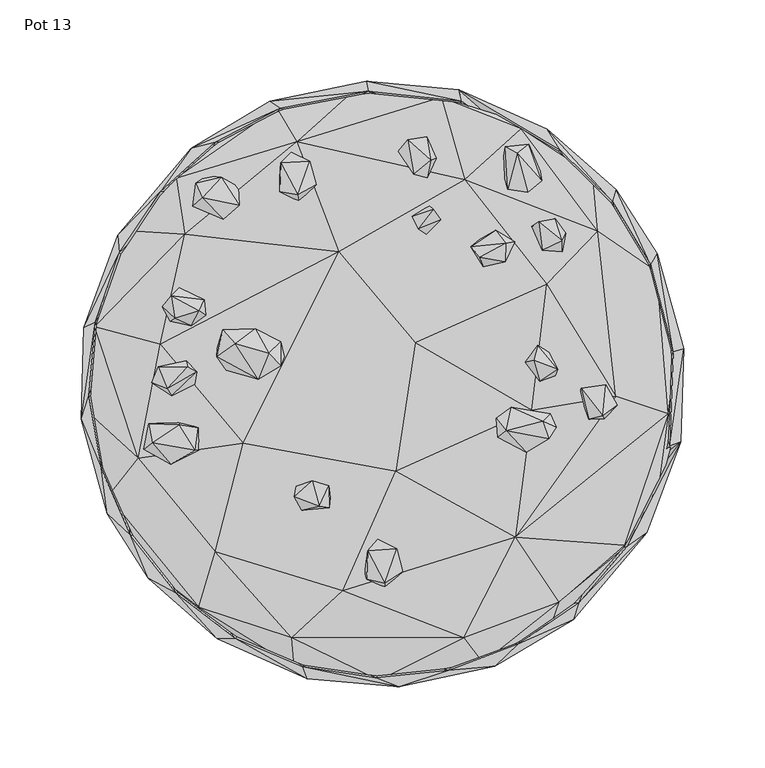
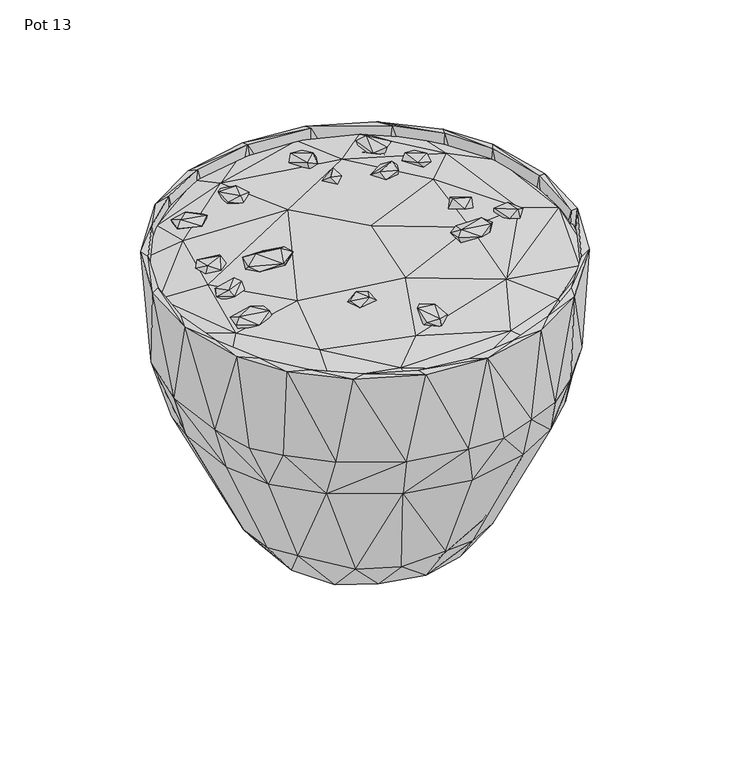
"""IFC4 building model written with IfcOpenShell, lengths in millimetres: furniture geometry, Pot 13."""

from ifc_helpers import new_model, si_unit, origin, place, context, project, spatial, triangles, source, transform, mapped, element, save


def pot_13_e8898190(model_context):
    return source(origin(), model_context, "Body", "Tessellation", [
        triangles([(-10.9216569, -116.5700558, 286.3160447), (1.5826821, -125.3369444, 285.3238632), (-9.5674393, -120.4596713, 290.5728161), (-2.714336, -99.5092059, 285.6736238), (1.9496083, -118.5742576, 282.7650259), (-8.8998076, -102.9095615, 294.3962746), (1.6316772, -122.9555945, 292.1563313), (12.573063, -115.8508955, 288.317703), (8.937776, -101.5502513, 291.6235877), (-2.6844144, -95.8271904, 292.5227334), (-44.2987677, -62.8737785, 289.1665611), (-53.0989755, -63.1696862, 292.3950522), (-43.1181212, -59.6359084, 296.9590178), (-33.0325359, -62.8530403, 296.1117404), (-49.6435178, -77.9656807, 294.0320708), (-32.1178433, -70.0375128, 290.7316908), (-147.2002538, -40.3271896, 287.849345), (-141.9984728, -36.17078, 291.8069886), (-144.0430246, -24.5595883, 285.1305611), (-145.019682, -40.6507255, 282.1654623), (-130.6619646, -49.6620259, 287.3215974), (-141.5619806, -31.9229061, 279.1629747), (-118.4948112, -37.438333, 281.0926171), (-113.3160575, -40.9691653, 286.0771784), (-115.508084, -41.0377976, 291.8656514), (-125.7433876, -22.9185525, 281.7194139), (-113.6409014, -27.0465618, 287.7078565), (-125.2976663, -25.0627394, 290.2286692), (73.4062207, -33.2288743, 289.9835352), (88.6644736, -42.115448, 296.5447263), (71.2195627, -32.933414, 295.691944), (101.0768972, -33.9092606, 291.4119909), (83.7861921, -23.3762258, 287.067525), (80.0219778, -16.9065001, 289.1170002), (70.3922513, -21.2561789, 294.3137215), (103.6144513, -18.313199, 293.4131042), (79.467415, -14.4429502, 294.1792638), (127.3495578, -21.896481, 288.9974944), (122.7416995, -2.536416, 289.5924435), (121.743441, -5.6624116, 283.5526777), (136.870679, -21.3909159, 285.7501817), (136.1769441, -19.5280618, 294.0283101), (134.7967958, -2.6714803, 282.4521635), (144.9956282, -12.9851108, 287.7494419), (137.8283513, -0.3903806, 288.7825911), (-142.3278768, 0.6006062, 290.2224741), (-135.7244554, 0.9567142, 284.7582727), (-129.9117197, -7.263392, 290.8336832), (-137.9111406, 9.7432734, 285.7110126), (-132.7033643, -3.0344427, 295.4481907), (-138.3731672, 10.6787984, 291.3671353), (-121.1269543, 14.2130258, 287.7357073), (-115.8917542, -0.1568198, 288.7424772), (-114.615742, 7.5055063, 292.2528916), (-120.0295649, 10.5347937, 295.6224352), (102.6110605, 19.5725857, 289.8276399), (95.9580509, 23.9420524, 293.9003019), (108.1669895, 9.1502965, 298.6995366), (106.8076521, 4.9596429, 291.0661363), (88.2224402, 13.4162005, 291.297354), (-83.4468051, 24.5864103, 289.464181), (-72.6776723, 7.0869925, 294.0359768), (-102.0030398, 22.1371344, 290.9544788), (-60.561179, 16.7150499, 295.166322), (-98.4283125, 33.5127709, 295.0921442), (-78.5477128, 34.1816845, 294.5623981), (-135.7165252, 47.5539288, 288.2561697), (-130.9581402, 38.7032017, 286.7407462), (-128.1579114, 40.6888136, 292.6844968), (-128.8946306, 51.5480027, 282.1083618), (-130.406139, 54.3957804, 291.3054749), (-117.8051821, 35.9310213, 287.3029757), (-109.0794248, 42.3656099, 287.5045622), (-112.8626422, 45.2978755, 294.3811047), (-113.5737907, 53.5164781, 284.804945), (-109.9325976, 52.0690965, 290.2153706), (-125.4392819, 59.2533055, 286.5133073), (27.0423878, 92.471554, 289.690112), (18.5087914, 103.5948213, 289.4911779), (29.009462, 110.1265265, 285.8562435), (35.9562628, 101.2608522, 290.0875259), (22.2899321, 95.7025887, 296.381237), (59.9507693, 88.9099709, 289.3196404), (62.1533374, 72.3491631, 293.9896315), (54.4635043, 84.7170492, 294.767164), (76.6039452, 77.7180487, 291.652147), (69.9224489, 94.8131081, 293.6904129), (81.5811759, 87.887477, 293.1702411), (104.1243675, 82.2743022, 286.1201991), (113.2382189, 92.8773886, 286.899621), (110.9570264, 81.4840161, 289.8548003), (98.8396428, 82.6085478, 292.3670198), (92.125, 97.443607, 287.6819315), (99.0014698, 99.7965521, 283.3507097), (110.9557183, 88.2784234, 294.3079442), (106.7833349, 101.8549384, 290.5432031), (-98.3230501, 101.5245171, 285.5431994), (-116.950456, 109.799984, 284.2341042), (-114.2365319, 117.2432433, 277.5700669), (-90.9156806, 109.424044, 279.9037907), (-88.2235212, 110.2700498, 287.5190962), (-111.0768955, 114.8239687, 288.3560909), (31.4289342, 107.7159633, 295.8014032), (96.4642155, 100.1697215, 292.9942526), (-115.0271268, 123.975445, 284.0682531), (-108.3571306, 128.4806388, 279.3518259), (-99.5337956, 127.6251496, 284.0076645), (-88.7843336, 121.6377879, 283.0818307), (-63.8923028, 121.2953488, 282.1077441), (-50.7033459, 118.6846343, 280.8758971), (-51.5123626, 112.7655551, 284.965691), (-55.3900011, 137.7940965, 278.3188584), (-63.1694182, 118.6097569, 287.3369126), (-62.7154715, 136.5677723, 286.7299547), (-52.3148754, 116.7715334, 290.9373651), (-40.850518, 122.8785371, 286.9129741), (-44.6485874, 137.4896728, 286.056195), (77.2954182, 120.2596744, 286.8462267), (83.3399257, 142.4475188, 289.0129731), (75.8432767, 146.4344121, 284.0073738), (87.6190068, 119.2202302, 282.100677), (89.7065974, 118.4052273, 289.7887251), (73.582945, 133.4584781, 280.9752551), (97.4970467, 131.2031289, 283.283926), (82.1912858, 144.7010059, 278.5956038), (98.3665612, 125.5187284, 288.3763295), (-56.1931725, 143.0634696, 283.9810491), (21.214187, 129.060191, 284.9006332), (9.8528268, 143.6975879, 286.6390991), (17.0561673, 149.4617618, 281.6533751), (27.769208, 127.1978773, 289.3846619), (19.3597672, 129.527032, 292.061715), (33.3870064, 139.2387939, 286.9172071), (29.7742477, 138.0667815, 293.2591165), (90.4141033, 147.8167133, 283.7207634), (15.6948564, 150.8432636, 289.9490351), (27.5288225, 152.5558771, 287.9408365), (-54.449915, -69.7460471, 297.3835559), (-38.9934184, -75.5273712, 299.5533907), (-32.9068895, -76.2974595, 294.8954992), (102.775876, -33.6694429, 299.7226755), (76.4216162, -28.7765865, 299.6494786), (98.8867875, -23.1181088, 300.5647571), (107.381645, -26.6445582, 295.0933069), (-76.4548173, 2.912134, 299.1780684), (-102.2632165, 16.7257482, 296.9759681), (-96.4005566, 8.4342065, 295.0342807), (-70.0855249, 18.9577341, 303.3792655), (-90.6558673, 24.7459414, 301.2405334), (-62.6581304, 11.3240783, 301.3651988), (97.2447365, 1.5413464, 294.986809), (93.5219532, 14.7331362, 298.7832343), (-62.7174972, 26.0810843, 297.5492798), (59.9915371, 78.3498597, 299.7397711), (75.9689231, 75.3130038, 297.5017354), (76.1600133, 86.8963311, 299.3137615)], [[1, 2, 3], [1, 4, 5], [1, 5, 2], [1, 6, 4], [1, 3, 6], [2, 7, 3], [2, 8, 7], [2, 5, 8], [5, 4, 9], [5, 9, 8], [8, 9, 7], [4, 10, 9], [4, 6, 10], [11, 12, 13], [11, 13, 14], [11, 15, 12], [11, 16, 15], [11, 14, 16], [17, 18, 19], [17, 19, 20], [17, 20, 21], [17, 21, 18], [20, 19, 22], [20, 22, 23], [20, 23, 21], [21, 23, 24], [21, 25, 18], [21, 24, 25], [24, 26, 27], [24, 27, 25], [24, 23, 26], [19, 28, 26], [19, 18, 28], [19, 26, 22], [22, 26, 23], [28, 27, 26], [28, 25, 27], [28, 18, 25], [29, 30, 31], [29, 32, 30], [29, 33, 32], [29, 34, 33], [29, 35, 34], [29, 31, 35], [33, 34, 36], [33, 36, 32], [34, 35, 37], [34, 37, 36], [38, 39, 40], [38, 41, 42], [38, 40, 41], [38, 42, 39], [41, 40, 43], [41, 43, 44], [41, 44, 42], [44, 45, 42], [44, 43, 45], [46, 47, 48], [46, 49, 47], [46, 48, 50], [46, 50, 51], [46, 51, 49], [47, 49, 52], [47, 52, 53], [47, 53, 48], [53, 54, 48], [53, 52, 54], [40, 39, 43], [39, 45, 43], [39, 42, 45], [49, 51, 52], [52, 51, 55], [52, 55, 54], [56, 57, 58], [56, 58, 59], [56, 59, 60], [56, 60, 57], [61, 62, 63], [61, 64, 62], [61, 63, 65], [61, 65, 66], [61, 66, 64], [67, 68, 69], [67, 70, 68], [67, 69, 71], [67, 71, 70], [68, 72, 69], [68, 70, 72], [72, 73, 74], [72, 70, 75], [72, 75, 73], [72, 74, 69], [73, 76, 74], [73, 75, 76], [70, 77, 75], [70, 71, 77], [77, 76, 75], [77, 71, 76], [76, 71, 74], [78, 79, 80], [78, 80, 81], [78, 81, 82], [78, 82, 79], [83, 84, 85], [83, 86, 84], [83, 85, 87], [83, 88, 86], [83, 87, 88], [89, 90, 91], [89, 92, 93], [89, 93, 94], [89, 91, 92], [89, 94, 90], [91, 90, 95], [91, 95, 92], [90, 94, 96], [90, 96, 95], [97, 98, 99], [97, 99, 100], [97, 100, 101], [97, 102, 98], [97, 101, 102], [79, 103, 80], [79, 82, 103], [81, 103, 82], [81, 80, 103], [93, 92, 104], [93, 104, 96], [93, 96, 94], [98, 102, 105], [98, 105, 99], [99, 105, 106], [99, 106, 100], [102, 107, 105], [102, 101, 107], [100, 108, 101], [100, 106, 108], [108, 107, 101], [108, 106, 107], [109, 110, 111], [109, 112, 110], [109, 111, 113], [109, 114, 112], [109, 113, 114], [113, 111, 115], [113, 115, 114], [111, 110, 116], [111, 116, 115], [110, 112, 117], [110, 117, 116], [116, 117, 115], [118, 119, 120], [118, 121, 122], [118, 123, 121], [118, 120, 123], [118, 122, 119], [121, 124, 122], [121, 123, 125], [121, 125, 124], [122, 124, 126], [122, 126, 119], [105, 107, 106], [114, 117, 127], [114, 115, 117], [114, 127, 112], [112, 127, 117], [128, 129, 130], [128, 131, 132], [128, 133, 131], [128, 132, 129], [128, 130, 133], [131, 134, 132], [131, 133, 134], [123, 120, 125], [124, 135, 126], [124, 125, 135], [126, 135, 119], [129, 132, 136], [129, 136, 130], [136, 132, 134], [136, 134, 137], [136, 137, 130], [130, 137, 133], [137, 134, 133], [120, 135, 125], [120, 119, 135], [3, 7, 6], [7, 9, 6], [6, 9, 10], [138, 12, 15], [138, 15, 139], [138, 139, 13], [138, 13, 12], [15, 140, 139], [15, 16, 140], [139, 140, 14], [139, 14, 13], [140, 16, 14], [30, 32, 141], [30, 142, 31], [30, 141, 142], [31, 142, 35], [142, 141, 143], [142, 143, 37], [142, 37, 35], [143, 141, 144], [143, 36, 37], [143, 144, 36], [32, 36, 144], [32, 144, 141], [50, 48, 54], [50, 54, 55], [50, 55, 51], [145, 146, 147], [145, 148, 149], [145, 150, 148], [145, 149, 146], [145, 147, 62], [145, 62, 150], [151, 152, 60], [151, 59, 58], [151, 58, 152], [151, 60, 59], [146, 149, 65], [146, 63, 147], [146, 65, 63], [147, 63, 62], [62, 64, 150], [148, 150, 153], [148, 66, 149], [148, 153, 66], [150, 64, 153], [64, 66, 153], [60, 152, 57], [152, 58, 57], [65, 149, 66], [69, 74, 71], [154, 155, 156], [154, 84, 155], [154, 156, 85], [154, 85, 84], [84, 86, 155], [155, 88, 156], [155, 86, 88], [85, 156, 87], [156, 88, 87], [92, 95, 104], [95, 96, 104]]),
        triangles([(-55.8941355, -156.7497527, 282.8167125), (-54.464994, -174.5175453, 278.5051842), (-2.2988319, -182.7500552, 278.4962276), (50.1585027, -156.6073558, 283.2875776), (-24.3492132, -127.7606519, 286.7870007), (-113.272728, -137.8657218, 280.221522), (-103.0160776, -103.3991574, 285.55975), (-103.0108907, -150.9501067, 275.8465711), (-38.026869, -175.3893126, 273.9616389), (25.5519741, -173.5506894, 273.2072155), (-56.4950709, -141.8945457, 269.676508), (61.913313, -171.9777658, 278.6587722), (89.5973472, -154.4001141, 273.8813385), (26.8572565, -123.4167219, 267.3951066), (108.9597918, -134.6433168, 281.549566), (81.9292651, -94.5218831, 286.9509078), (102.7473803, -152.3225338, 277.181773), (115.346911, -110.2001957, 270.431749), (149.649859, -101.0988345, 275.0957993), (-142.9028235, -115.3807298, 276.4836506), (-150.5875925, -45.6993, 284.047088), (-169.2823452, -69.3165357, 278.2797438), (-114.5792617, -102.0382939, 269.8650684), (-59.3942989, -83.8227542, 265.9183798), (8.2025528, -53.9452447, 289.9653314), (-85.705697, -36.4522626, 288.7515065), (8.3525777, -49.7275288, 264.2823787), (93.4990077, -72.4898567, 266.7365893), (149.1836266, -99.4319032, 280.4436015), (-166.3890444, -65.6242647, 273.8204956), (-174.4135001, -17.7614988, 273.0928329), (-93.6158883, -18.6594726, 265.7466243), (176.3759166, -18.2894167, 280.5974257), (92.317639, -16.2029865, 288.8859459), (143.9990411, -7.6187551, 285.5495217), (149.5190894, -32.3980747, 269.6968919), (169.3637901, -71.2032892, 277.181773), (179.8678546, -31.4179655, 275.5126343), (-182.7584486, -16.5293815, 278.0008545), (73.0389965, 2.4077297, 264.8926612), (-137.1594695, 24.3743661, 286.0801579), (-177.4334284, 35.2950091, 279.2783747), (20.3932524, 25.3482756, 290.3091331), (-26.8560642, 81.5715653, 289.081846), (-34.5192547, 54.80449, 264.6984688), (137.108328, 39.4507942, 268.5416027), (181.043328, 16.2880127, 275.329506), (-168.1428254, 56.4011495, 273.7902467), (-134.0222973, 43.8215712, 268.4104152), (101.5535578, 61.5521523, 287.6672158), (132.9655667, 94.2386791, 283.2951898), (169.3229678, 69.307461, 278.2276212), (-121.8494211, 92.4267621, 284.555905), (50.9662614, 126.0748173, 286.3184791), (38.955035, 85.0435009, 265.6281359), (166.1495059, 65.5418025, 273.7621416), (-156.6299199, 94.6702843, 277.8997343), (-123.7456807, 127.9850477, 273.62465), (-101.3545965, 105.0297355, 268.8038142), (-23.9864583, 154.5659288, 270.2320882), (105.0274374, 101.3526344, 268.8038142), (-52.8263449, 149.4831631, 283.9418982), (63.8506402, 142.9357339, 270.1301322), (128.9221089, 124.5863725, 273.9198173), (129.9377719, 128.4363101, 278.5789443), (-127.1303851, 126.8184946, 280.3775445), (-100.8524923, 153.5699504, 277.181773), (-65.3584606, 165.624538, 273.6314265), (85.6305926, 157.520545, 280.6563611), (-65.1423356, 170.2862447, 279.1480047), (36.3878611, 176.9482472, 279.6875612), (-16.4905791, 182.1580855, 277.686902), (38.0818847, 175.6223471, 274.0179036), (87.7161666, 161.008141, 276.2520696)], [[1, 2, 3], [1, 3, 4], [1, 4, 5], [1, 6, 2], [1, 5, 7], [1, 7, 6], [2, 8, 9], [2, 6, 8], [2, 9, 3], [9, 10, 3], [9, 8, 11], [9, 11, 10], [3, 10, 12], [3, 12, 4], [10, 13, 12], [10, 11, 14], [10, 14, 13], [4, 12, 15], [4, 15, 16], [4, 16, 5], [12, 13, 17], [12, 17, 15], [13, 14, 18], [13, 18, 19], [13, 19, 17], [6, 20, 8], [6, 7, 21], [6, 22, 20], [6, 21, 22], [8, 20, 23], [8, 23, 11], [11, 23, 24], [11, 24, 14], [5, 16, 25], [5, 26, 7], [5, 25, 26], [14, 24, 27], [14, 28, 18], [14, 27, 28], [17, 19, 15], [15, 29, 16], [15, 19, 29], [20, 22, 30], [20, 30, 23], [23, 30, 31], [23, 31, 32], [23, 32, 24], [7, 26, 21], [16, 29, 33], [16, 34, 25], [16, 35, 34], [16, 33, 35], [18, 28, 36], [18, 36, 19], [29, 37, 33], [29, 19, 37], [19, 36, 38], [19, 38, 37], [22, 21, 39], [22, 39, 30], [30, 39, 31], [24, 32, 27], [28, 27, 40], [28, 40, 36], [37, 38, 33], [21, 26, 41], [21, 41, 42], [21, 42, 39], [26, 25, 43], [26, 43, 44], [26, 44, 41], [25, 34, 43], [27, 32, 45], [27, 45, 40], [36, 40, 46], [36, 47, 38], [36, 46, 47], [38, 47, 33], [39, 42, 31], [31, 42, 48], [31, 48, 49], [31, 49, 32], [32, 49, 45], [34, 35, 50], [34, 50, 43], [35, 33, 51], [35, 51, 50], [33, 47, 52], [33, 52, 51], [41, 44, 53], [41, 53, 42], [43, 50, 54], [43, 54, 44], [40, 45, 55], [40, 55, 46], [47, 56, 52], [47, 46, 56], [42, 57, 48], [42, 53, 57], [48, 57, 58], [48, 58, 49], [49, 59, 45], [49, 58, 59], [45, 59, 60], [45, 60, 55], [46, 55, 61], [46, 61, 56], [44, 62, 53], [44, 54, 62], [55, 63, 61], [55, 60, 63], [50, 51, 54], [56, 61, 64], [56, 64, 52], [52, 64, 65], [52, 65, 51], [57, 66, 67], [57, 67, 58], [57, 53, 66], [53, 62, 66], [59, 58, 68], [59, 68, 60], [61, 63, 64], [51, 65, 69], [51, 69, 54], [66, 62, 70], [66, 70, 67], [58, 67, 68], [62, 54, 71], [62, 72, 70], [62, 71, 72], [54, 69, 71], [63, 60, 73], [63, 73, 74], [63, 74, 64], [64, 74, 65], [65, 74, 69], [67, 70, 68], [68, 70, 72], [68, 72, 60], [60, 72, 73], [72, 71, 73], [71, 69, 74], [71, 74, 73]]),
        triangles([(-110.6496414, -143.8045763, 198.2307418), (-144.382448, -119.9180165, 287.8247462), (-142.7260084, -111.733169, 197.0755979), (-83.0310601, -147.7779438, 183.3407531), (-117.1730714, -122.4876089, 183.3427697), (-90.899348, -156.8287086, 289.061662), (-49.0443129, -174.5069355, 289.0613713), (60.9394898, -158.1718316, 183.3428606), (41.0941259, -176.5466366, 289.0612259), (83.7085806, -160.7797756, 289.0612441), (98.3591671, -138.0479963, 183.3426425), (94.6544967, -154.3526606, 193.7577045), (120.4727337, -135.4259543, 197.0757796), (117.966237, -145.3908984, 287.8250732), (69.4412011, -174.3690987, 287.8263631), (121.0620418, -134.9113328, 289.0612259), (133.8440741, -103.3306387, 183.3415707), (150.4671601, -101.3978442, 198.2295972), (-169.6679322, -80.252914, 287.8265993), (-159.9935954, -84.777983, 193.7558151), (-143.9531773, -89.5006325, 183.3426789), (-127.0461061, -129.2960051, 289.061662), (150.8081549, -100.5672172, 289.0613713), (184.0764822, -35.5446645, 287.8502352), (160.7168979, -53.8660298, 183.3418977), (170.8124844, -60.6359246, 197.077996), (163.2129483, -91.735725, 287.824401), (-173.8360462, -51.3455578, 197.0788136), (-161.688659, -50.8898807, 183.3433511), (-155.2083497, -93.6414863, 289.061662), (-185.9669373, -21.7182646, 287.8245645), (-180.4949058, 5.9235693, 196.9398322), (-169.2647046, -9.0802608, 183.3428061), (-173.6199257, -52.100985, 289.061662), (177.2395449, -37.9883948, 289.0614258), (169.0638629, -12.2054221, 183.3438053), (179.265257, -25.4536562, 193.7606476), (181.139761, 6.5008103, 197.0806485), (-184.4332736, 34.8071164, 287.8244737), (-170.817099, 60.6358928, 197.0785774), (-166.2056072, 33.2986125, 183.34475), (-181.1223384, -7.2861315, 289.0616075), (179.6112569, 19.9972691, 289.061662), (166.7873849, 30.2228327, 183.3417342), (173.8312863, 51.3459438, 197.0785592), (185.9625044, 21.7178173, 287.8245645), (-152.7026523, 73.5852704, 183.342588), (-177.2441594, 37.9875909, 289.0614258), (165.717065, 73.4492095, 289.0616983), (154.0314593, 70.7522629, 183.3434056), (-163.217363, 91.7359158, 287.824401), (-144.413796, 108.692766, 196.9038606), (142.2440974, 112.3549607, 289.0617528), (131.5966277, 106.8362023, 183.3426425), (155.5994232, 92.965174, 197.0731271), (169.6635538, 80.2528685, 287.8265993), (-119.8421127, 119.2916012, 183.3416615), (-162.2287605, 80.8707905, 289.0614803), (117.2651079, 137.3954834, 195.9139319), (144.3779424, 119.917971, 287.8248007), (-117.9702247, 145.3913707, 287.8251459), (-102.5516982, 149.4591366, 197.0743262), (-137.0196343, 118.6753052, 289.0612441), (-103.2034117, 149.020646, 289.0612441), (-80.2867418, 149.2870178, 183.3420612), (109.8355014, 144.1986747, 289.061662), (94.7204811, 140.0702566, 183.3410256), (-69.4457884, 174.3690987, 287.8263631), (-74.5671373, 164.9992128, 193.7565963), (-40.6388621, 164.5627205, 183.3420067), (-62.9019745, 170.0037765, 289.0612259), (49.0400799, 174.5068083, 289.0613713), (43.6663617, 163.7842797, 183.342479), (47.0308048, 181.4836354, 287.8502352), (75.3503426, 163.6565622, 191.7264876), (101.8001452, 157.133541, 287.8245645), (-40.3314817, 176.7147223, 197.0789952), (1.5633106, 169.4987746, 183.3431512), (-8.6823104, 180.5146357, 289.0613349), (-10.0001095, 186.9614805, 287.8243647), (17.2427293, 179.7647723, 196.9412493), (-46.3227039, -181.8811584, 287.8243102), (9.99552, -186.9614987, 287.8242738), (-4.1031837, -181.2202067, 289.0613349), (-101.8043783, -157.1336137, 287.8245645), (-51.2150516, -76.6597376, 23.4923592), (-12.8974913, -79.8205457, 14.5094194), (-58.9793941, -34.1342991, 10.9402911), (-81.8121393, -42.5040144, 23.4923569), (-7.2950126, -101.0728186, 33.4042133), (-60.0281946, -99.4433759, 59.0025713), (-24.4625216, -116.6206887, 63.4428708), (-40.2050632, -92.3392765, 18.8041892), (-30.4197661, -113.9272757, 45.7465582), (-65.3145907, -97.1739015, 44.8029975), (-66.0017126, -64.3699172, 9.8291716), (3.8918852, -95.3992914, 13.6630423), (-18.7468526, -72.8034686, 1.5581479), (42.7390337, -84.3833395, 12.3438834), (-71.3547471, -15.6725944, 0.4078503), (55.8463323, -45.7122034, 0.3881552), (21.4043848, -86.6595541, 20.1390846), (33.2536706, -59.1313244, 10.6879752), (7.8943969, -121.0920545, 52.4215277), (40.3192641, -110.7689746, 45.0713768), (54.419816, -101.7573517, 55.9143605), (58.5381965, -70.8855079, 23.2321757), (23.4074602, -116.1161046, 62.161649), (75.60724, -57.3483981, 13.0229708), (66.6010401, -97.2603242, 45.0712723), (-102.3711587, -65.4995131, 52.7240347), (-89.1433324, -32.3174292, 12.9958921), (75.4115579, -35.942108, 16.3799334), (-0.9832978, -16.3945253, 13.9920318), (63.889446, 17.4618361, 10.7219439), (8.7521076, 15.8219937, 5.4539861), (93.6821088, -14.6244173, 12.9963293), (72.3380446, 16.800612, 0.4604865), (86.7250571, -74.4268297, 55.4998554), (114.0371527, -28.4722742, 45.2351431), (90.1307449, -76.0326365, 45.7485702), (-93.6866961, 14.6245956, 12.9964349), (-113.0838951, -33.2884796, 45.0712678), (-117.539646, -0.7822812, 45.2350251), (-92.1693468, 2.1671056, 23.4924137), (-96.0752403, -68.4558733, 61.161542), (-110.0800632, -42.409003, 61.1569865), (-44.4951038, 55.8700545, 0.4183233), (25.9834522, 69.7053065, 0.4618967), (-60.1001379, 37.3142354, 11.0109944), (113.6750018, -31.5986277, 61.6828901), (90.9433406, 6.5079035, 22.0676074), (88.8438776, 24.6119198, 9.8289025), (117.8054819, 4.1190385, 45.0716493), (-117.1668127, -13.6995612, 61.1534575), (-117.3776374, 20.2687982, 63.5490098), (-68.9295544, 55.4303239, 19.3585295), (-97.1058006, 37.9594858, 37.8244332), (76.5584084, 49.5174217, 22.0678777), (112.7900449, 20.1666651, 56.0754108), (-106.2121943, 51.2291041, 45.7490516), (-76.4285289, 57.2840716, 13.6443763), (-24.8425016, 72.3156032, 13.1500513), (41.9510004, 72.1503199, 16.5778251), (71.9773153, 61.456891, 12.7401574), (112.4891004, 35.361409, 45.7471577), (-61.7344994, 100.2957676, 45.4860453), (-32.1549187, 87.2833442, 11.5600173), (-88.701072, 77.6420995, 45.0729528), (-42.8568726, 86.6590727, 28.0378189), (-93.4880981, 66.5798341, 55.319266), (35.6510874, 85.308492, 10.7130986), (85.1447029, 81.0299105, 45.2364467), (97.8471616, 61.3537133, 56.0832773), (76.0323413, 90.1911427, 61.1569865), (3.3479334, 90.3763331, 21.3237302), (-4.1900873, 115.5833156, 56.906978), (-54.1126718, 100.8922882, 55.914574), (3.2829045, 117.8337596, 45.0712723), (27.8038375, 109.3800514, 37.6239412), (-26.1243593, 114.949379, 45.0724623), (36.138594, 109.418076, 56.9714907), (59.6442836, 101.6765972, 45.0734479), (-56.248547, -161.2215727, 157.6304402), (5.6317448, -169.6227133, 154.7287823), (60.9111167, -158.8746048, 154.7269292), (48.0607156, -149.6340079, 143.025009), (89.2905618, -129.5706068, 142.5158559), (-111.6451657, -129.1954843, 157.6277877), (98.5081769, -138.734546, 154.7270382), (118.7051544, -103.2944581, 142.5086979), (140.2636768, -70.0992051, 141.2845993), (148.1946153, -89.9808994, 163.5154552), (129.9145811, -109.8774048, 154.7258573), (-144.6489106, -89.6039874, 154.7268202), (-162.3885255, -50.8167747, 154.7276922), (-170.7290774, 1.5057325, 157.8567708), (163.0600688, -47.0592097, 154.7306354), (-156.7348008, 50.6647218, 143.2834416), (169.9208055, 8.8384747, 154.7294363), (-140.2687092, 70.0996819, 141.2865341), (143.8365601, 89.0222461, 152.5988069), (162.3840926, 50.8170563, 154.7278012), (156.6645471, -16.8772935, 143.6219475), (152.18556, 34.2551765, 140.0833009), (137.3740458, 75.1721694, 141.241297), (-135.9532477, 103.3100367, 157.6277877), (-118.7091513, 103.2947306, 142.5082073), (118.9296865, 100.2948138, 139.1828834), (-98.5116923, 138.734655, 154.7258028), (-47.6413962, 162.8924918, 154.7274924), (112.0037466, 127.5066158, 154.726693), (-35.3308331, 153.3423843, 142.5206975), (-83.7671798, 132.9788835, 143.0190319), (12.2214561, 170.2955101, 157.8570252), (7.0586205, 157.4397905, 143.7262925), (64.3518587, 157.5148586, 154.7323794), (61.1306437, 144.4107257, 141.3042565), (-61.1356488, -144.4100171, 141.3032119), (-7.0635678, -157.4394998, 143.7256294), (-95.7003268, -124.9382224, 142.5591581), (-137.3788693, -75.1725736, 141.242923), (-122.6928198, -102.1338731, 148.1385232), (-152.1900292, -34.2549971, 140.0831192), (-156.6687801, 16.8778897, 143.6215478), (95.694604, 124.9382769, 142.5575503), (-43.6705357, -163.7841162, 183.3411346), (5.6979057, -168.9960073, 183.3426062), (-4.8877002, -181.1923741, 197.0788681), (-58.7432394, -170.9334799, 196.9013898), (31.1866411, -178.359353, 193.7620102), (62.1555448, -170.2672234, 197.0771966)], [[1, 2, 3], [4, 5, 6], [4, 6, 7], [8, 9, 10], [8, 10, 11], [12, 13, 14], [12, 14, 15], [11, 10, 16], [11, 16, 17], [13, 18, 14], [3, 2, 19], [3, 19, 20], [5, 21, 22], [5, 22, 6], [17, 16, 23], [17, 23, 24], [17, 24, 25], [18, 26, 27], [18, 27, 14], [20, 19, 28], [21, 29, 30], [21, 30, 22], [28, 19, 31], [28, 31, 32], [29, 33, 34], [29, 34, 30], [25, 35, 36], [25, 24, 35], [26, 37, 24], [26, 24, 27], [37, 38, 24], [32, 31, 39], [32, 39, 40], [33, 41, 42], [33, 42, 34], [36, 35, 43], [36, 43, 44], [38, 45, 46], [38, 46, 24], [41, 47, 48], [41, 48, 42], [44, 43, 49], [44, 49, 50], [40, 39, 51], [40, 51, 52], [50, 49, 53], [50, 53, 54], [45, 55, 56], [45, 56, 46], [47, 57, 58], [47, 58, 48], [55, 59, 60], [55, 60, 56], [52, 51, 61], [52, 61, 62], [57, 63, 58], [57, 64, 63], [57, 65, 64], [54, 53, 66], [54, 66, 67], [62, 61, 68], [62, 68, 69], [65, 70, 71], [65, 71, 64], [67, 72, 73], [67, 66, 74], [67, 74, 72], [59, 75, 76], [59, 76, 60], [69, 68, 77], [70, 78, 79], [70, 79, 71], [77, 68, 80], [77, 80, 81], [78, 73, 79], [81, 80, 74], [81, 74, 75], [73, 72, 79], [75, 74, 76], [7, 82, 83], [7, 83, 84], [7, 6, 82], [82, 6, 85], [84, 83, 9], [83, 15, 9], [9, 15, 10], [15, 14, 10], [10, 14, 16], [85, 6, 22], [85, 22, 2], [14, 27, 16], [16, 27, 23], [2, 22, 30], [2, 30, 19], [19, 30, 34], [19, 34, 31], [23, 27, 24], [34, 42, 31], [31, 42, 48], [31, 48, 39], [35, 24, 46], [35, 46, 43], [39, 48, 58], [39, 58, 51], [43, 46, 56], [43, 56, 49], [51, 58, 63], [51, 63, 61], [49, 56, 60], [49, 60, 53], [63, 64, 61], [53, 60, 76], [53, 76, 66], [61, 64, 71], [61, 71, 68], [76, 74, 66], [68, 71, 79], [68, 79, 80], [80, 79, 72], [80, 72, 74], [86, 87, 88], [86, 88, 89], [86, 90, 87], [86, 89, 91], [86, 91, 92], [86, 92, 90], [93, 94, 95], [93, 95, 96], [93, 97, 94], [93, 98, 97], [93, 96, 98], [98, 99, 97], [98, 96, 100], [98, 101, 99], [98, 100, 101], [87, 102, 103], [87, 103, 88], [87, 90, 102], [97, 104, 94], [97, 105, 104], [97, 99, 105], [102, 106, 107], [102, 108, 106], [102, 90, 108], [102, 107, 103], [99, 101, 109], [99, 110, 105], [99, 109, 110], [96, 95, 111], [96, 111, 112], [96, 112, 100], [103, 107, 113], [103, 114, 88], [103, 113, 115], [103, 115, 114], [101, 100, 116], [101, 117, 109], [101, 116, 118], [101, 118, 117], [107, 119, 113], [107, 106, 119], [109, 117, 120], [109, 120, 121], [109, 121, 110], [112, 122, 100], [112, 111, 123], [112, 123, 124], [112, 124, 122], [89, 88, 125], [89, 126, 91], [89, 127, 126], [89, 125, 127], [100, 122, 128], [100, 128, 129], [100, 129, 116], [88, 114, 130], [88, 130, 125], [114, 115, 130], [113, 131, 132], [113, 119, 131], [113, 132, 115], [117, 118, 133], [117, 134, 120], [117, 133, 134], [125, 135, 127], [125, 136, 135], [125, 130, 137], [125, 137, 138], [125, 138, 136], [132, 139, 115], [132, 131, 140], [132, 140, 139], [122, 124, 141], [122, 141, 142], [122, 142, 128], [130, 115, 143], [130, 143, 137], [116, 129, 118], [115, 139, 144], [115, 144, 143], [118, 129, 145], [118, 145, 133], [133, 146, 134], [133, 145, 146], [142, 147, 148], [142, 149, 147], [142, 148, 128], [142, 141, 149], [137, 143, 150], [137, 151, 138], [137, 150, 151], [128, 148, 129], [129, 148, 152], [129, 152, 145], [145, 152, 153], [145, 153, 146], [139, 140, 154], [139, 155, 144], [139, 154, 155], [150, 156, 157], [150, 157, 158], [150, 143, 156], [150, 158, 151], [148, 159, 160], [148, 161, 159], [148, 160, 152], [148, 147, 161], [143, 144, 156], [156, 144, 162], [156, 162, 157], [152, 163, 153], [152, 160, 163], [144, 155, 162], [94, 104, 164], [94, 164, 95], [90, 92, 108], [104, 105, 165], [104, 165, 164], [105, 110, 166], [105, 166, 165], [106, 108, 167], [106, 167, 168], [106, 168, 119], [95, 169, 111], [95, 164, 169], [110, 121, 170], [110, 170, 166], [119, 171, 172], [119, 168, 171], [119, 172, 131], [121, 120, 173], [121, 174, 170], [121, 173, 174], [111, 169, 175], [111, 175, 176], [111, 176, 123], [123, 176, 177], [123, 177, 124], [120, 134, 178], [120, 178, 173], [124, 179, 141], [124, 177, 179], [134, 146, 180], [134, 180, 178], [138, 151, 181], [138, 181, 136], [146, 153, 182], [146, 183, 180], [146, 182, 183], [140, 131, 184], [140, 184, 185], [140, 185, 186], [140, 186, 154], [141, 179, 187], [141, 187, 149], [151, 158, 188], [151, 188, 181], [154, 189, 155], [154, 186, 189], [149, 187, 190], [149, 190, 147], [147, 190, 191], [147, 191, 161], [153, 163, 192], [153, 192, 182], [158, 157, 193], [158, 194, 188], [158, 193, 194], [161, 191, 195], [161, 195, 159], [157, 162, 196], [157, 196, 193], [159, 195, 160], [160, 197, 163], [160, 195, 197], [162, 155, 198], [162, 198, 196], [163, 197, 192], [92, 91, 199], [92, 199, 200], [92, 200, 108], [108, 200, 167], [91, 126, 201], [91, 201, 199], [126, 202, 203], [126, 127, 202], [126, 203, 201], [127, 135, 204], [127, 204, 202], [131, 172, 184], [135, 136, 204], [136, 205, 204], [136, 181, 205], [155, 206, 198], [155, 189, 206], [199, 201, 4], [199, 207, 200], [199, 4, 207], [200, 207, 208], [200, 208, 167], [167, 208, 8], [167, 8, 11], [167, 11, 168], [168, 11, 17], [168, 17, 171], [201, 203, 5], [201, 5, 4], [171, 17, 172], [202, 204, 29], [202, 21, 203], [202, 29, 21], [172, 17, 25], [172, 25, 184], [204, 205, 33], [204, 33, 29], [184, 25, 36], [184, 36, 44], [184, 44, 185], [205, 181, 41], [205, 41, 33], [185, 44, 50], [185, 50, 186], [179, 177, 40], [179, 40, 187], [181, 188, 47], [181, 47, 41], [189, 186, 54], [189, 67, 206], [189, 54, 67], [186, 50, 54], [188, 57, 47], [188, 194, 57], [206, 67, 198], [194, 193, 65], [194, 65, 57], [193, 196, 70], [193, 70, 65], [196, 198, 73], [196, 78, 70], [196, 73, 78], [198, 67, 73], [164, 165, 209], [164, 210, 169], [164, 209, 210], [165, 166, 211], [165, 211, 209], [166, 170, 212], [166, 212, 211], [170, 174, 13], [170, 12, 212], [170, 13, 12], [203, 21, 5], [169, 3, 175], [169, 210, 1], [169, 1, 3], [174, 173, 13], [175, 3, 20], [175, 20, 28], [175, 28, 176], [173, 178, 26], [173, 18, 13], [173, 26, 18], [176, 28, 32], [176, 32, 177], [178, 180, 37], [178, 37, 26], [177, 32, 40], [180, 183, 38], [180, 38, 37], [183, 182, 45], [183, 45, 38], [182, 192, 55], [182, 55, 45], [187, 40, 52], [187, 52, 62], [187, 62, 190], [192, 197, 75], [192, 75, 59], [192, 59, 55], [190, 62, 69], [190, 69, 191], [197, 195, 75], [191, 69, 77], [191, 77, 81], [191, 81, 195], [195, 81, 75], [210, 209, 82], [210, 82, 85], [210, 85, 1], [207, 4, 7], [207, 7, 84], [207, 84, 208], [209, 211, 83], [209, 83, 82], [208, 84, 9], [208, 9, 8], [211, 212, 83], [212, 12, 15], [212, 15, 83], [1, 85, 2]]),
    ])


if __name__ == "__main__":
    model = new_model("IFC4")
    model_context = context("Model", 3, world=origin())
    ifc_project = project(units=[si_unit("LENGTHUNIT", "METRE", prefix="MILLI")], contexts=[model_context])
    site = spatial("IfcSite", under=ifc_project)
    building = spatial("IfcBuilding", under=site)
    placement = place(None, origin())
    pot_13_shape = pot_13_e8898190(model_context)
    element("IfcFurniture", 1, ObjectType="Pot 13", at=placement, inside=building, context=model_context, shape_type="MappedRepresentation", body=[
        mapped(pot_13_shape, transform((0.0, 0.0, 0.0), x_axis=(1.0, 0.0, 0.0), y_axis=(0.0, 1.0, 0.0), z_axis=(0.0, 0.0, 1.0))),
    ])
    save(model, "model.ifc")
